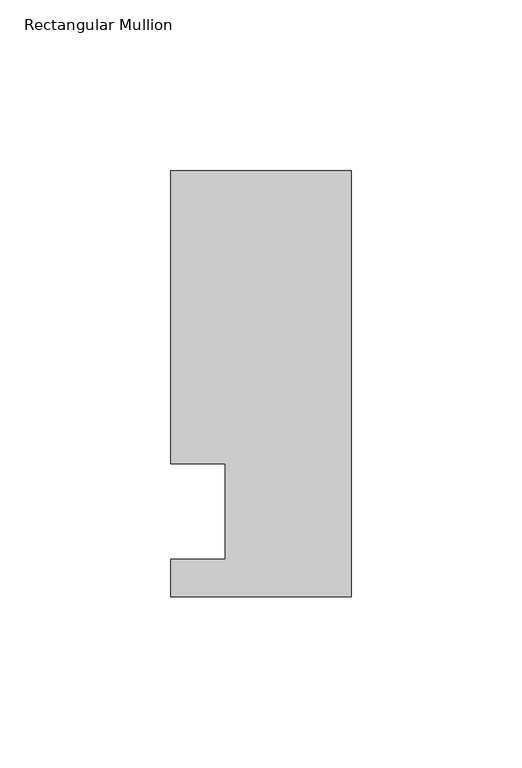
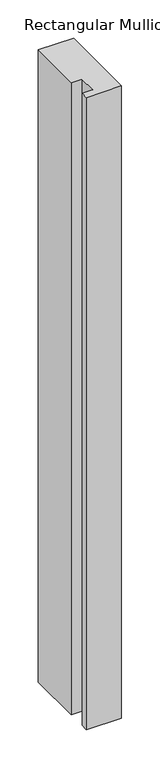
"""IFC4 building model written with IfcOpenShell, lengths in millimetres: member geometry, Rectangular Mullion."""

from ifc_helpers import new_model, si_unit, frame, origin, place, context, project, spatial, polyline, outline, extrude, source, transform, mapped, element, save


def rectangular_mullion_55cb6f56(model_context):
    return source(origin(), model_context, "Body", "SweptSolid", [
        extrude(outline(polyline([(0.0, -25.0), (-53.0, -25.0), (-53.0, -14.0), (-37.0, -14.0), (-37.0, 13.9998907), (-53.0, 13.9998907), (-53.0, 100.0), (0.0, 100.0), (0.0, -25.0)])), frame((0.0, 0.0, -1006.5485979), z_axis=(0.0, 0.0, 1.0), x_axis=(1.0, 0.0, 0.0)), (0.0, 0.0, 1.0), 1006.5485979),
    ])


if __name__ == "__main__":
    model = new_model("IFC4")
    model_context = context("Model", 3, world=origin())
    ifc_project = project(units=[si_unit("LENGTHUNIT", "METRE", prefix="MILLI")], contexts=[model_context])
    site = spatial("IfcSite", under=ifc_project)
    building = spatial("IfcBuilding", under=site)
    placement = place(None, origin())
    rectangular_mullion_shape = rectangular_mullion_55cb6f56(model_context)
    element("IfcMember", 1, ObjectType="Rectangular Mullion", at=placement, inside=building, context=model_context, shape_type="MappedRepresentation", body=[
        mapped(rectangular_mullion_shape, transform((0.0, 0.0, 0.0), x_axis=(1.0, 0.0, 0.0), y_axis=(0.0, 1.0, 0.0), z_axis=(0.0, 0.0, 1.0))),
    ])
    save(model, "model.ifc")
